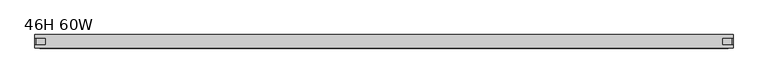
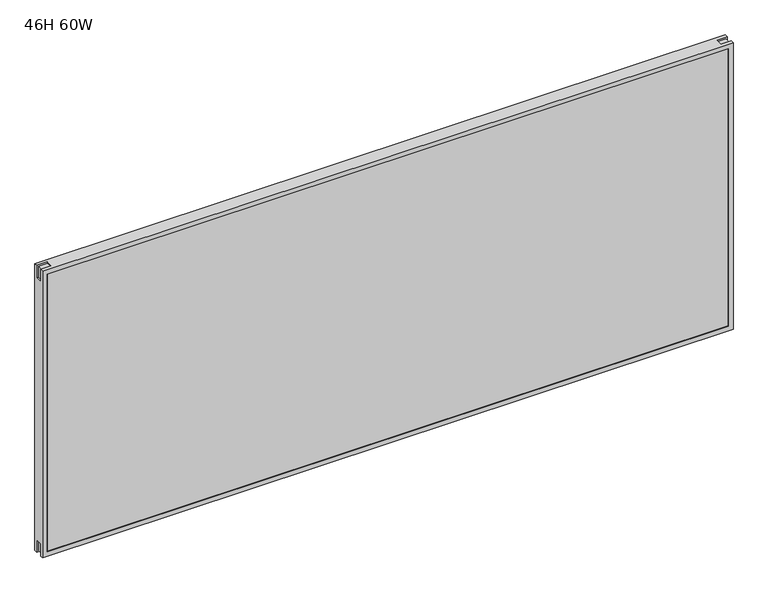
"""IFC4 building model written with IfcOpenShell, lengths in millimetres: furniture geometry, 46H 60W."""

from ifc_helpers import new_model, si_unit, frame, origin, place, context, project, spatial, polyline, outline, extrude, faceted_brep, source, transform, mapped, element, save


def furniture_46h_60w_09fef97b(model_context):
    return source(origin(), model_context, "Body", "SolidModel", [
        faceted_brep([(0.0, -14.75, 1156.589), (0.0, -14.75, 489.0), (1520.952, -14.75, 489.0), (1520.952, -14.75, 1156.589), (1510.452, -14.75, 499.5), (10.5, -14.75, 499.5), (10.5, -14.75, 1146.089), (1510.452, -14.75, 1146.089), (0.0, 14.75, 1156.589), (1520.952, 14.75, 1156.589), (1520.952, 14.75, 489.0), (0.0, 14.75, 489.0), (1510.452, 14.75, 499.5), (1510.452, 14.75, 1146.089), (10.5, 14.75, 1146.089), (10.5, 14.75, 499.5), (0.0, -7.5961537, 1156.589), (0.0, -7.5961537, 1127.939), (0.0, 7.403846, 1127.939), (0.0, 7.403846, 1156.589), (0.0, 7.403846, 489.0), (0.0, 7.403846, 517.65), (0.0, -7.5961537, 517.65), (0.0, -7.5961537, 489.0), (23.49, -7.5961537, 489.0), (23.49, 7.403846, 489.0), (1520.952, 7.403846, 489.0), (1497.4619871, 7.403846, 489.0), (1497.4619871, -7.5961537, 489.0), (1520.952, -7.5961537, 489.0), (40.0, -7.5961537, 489.0), (1480.952, -7.5961537, 489.0), (1480.952, 7.403846, 489.0), (40.0, 7.403846, 489.0), (1520.952, -7.5961537, 517.6500003), (1520.952, 7.403846, 517.6500003), (1520.952, 7.403846, 1156.589), (1520.952, 7.403846, 1127.9389997), (1520.952, -7.5961537, 1127.9389997), (1520.952, -7.5961537, 1156.589), (1497.4619871, -7.5961537, 1156.589), (1497.4619871, 7.403846, 1156.589), (23.49, 7.403846, 1156.589), (23.49, -7.5961537, 1156.589), (1517.602, -7.5961537, 1127.9389997), (1517.602, -7.5961537, 1153.239), (1497.4619871, -7.5961537, 1153.239), (23.49, -7.5961537, 1153.239), (3.35, -7.5961537, 1153.239), (3.35, -7.5961537, 1127.939), (1497.4619871, -7.5961537, 492.35), (1517.602, -7.5961537, 492.35), (1517.602, -7.5961537, 517.6500003), (3.35, -7.5961537, 517.65), (3.35, -7.5961537, 492.35), (23.49, -7.5961537, 492.35), (40.0, -7.5961537, 497.0), (1480.952, -7.5961537, 497.0), (1497.4619871, 7.403846, 1153.239), (1517.602, 7.403846, 1153.239), (1517.602, 7.403846, 1127.9389997), (3.35, 7.403846, 1127.939), (3.35, 7.403846, 1153.239), (23.49, 7.403846, 1153.239), (1517.602, 7.403846, 517.6500003), (1517.602, 7.403846, 492.35), (1497.4619871, 7.403846, 492.35), (23.49, 7.403846, 492.35), (3.35, 7.403846, 492.35), (3.35, 7.403846, 517.65), (1480.952, 7.403846, 497.0), (40.0, 7.403846, 497.0)], [[[0, 1, 2, 3], [4, 5, 6, 7]], [[8, 9, 10, 11], [12, 13, 14, 15]], [[1, 0, 16, 17, 18, 19, 8, 11, 20, 21, 22, 23]], [[2, 1, 23, 24, 25, 20, 11, 10, 26, 27, 28, 29], [30, 31, 32, 33]], [[3, 2, 29, 34, 35, 26, 10, 9, 36, 37, 38, 39]], [[0, 3, 39, 40, 41, 36, 9, 8, 19, 42, 43, 16]], [[5, 4, 12, 15]], [[6, 5, 15, 14]], [[7, 6, 14, 13]], [[4, 7, 13, 12]], [[38, 44, 45, 46, 40, 39]], [[43, 47, 48, 49, 17, 16]], [[28, 50, 51, 52, 34, 29]], [[22, 53, 54, 55, 24, 23]], [[30, 56, 57, 31]], [[41, 58, 59, 60, 37, 36]], [[18, 61, 62, 63, 42, 19]], [[35, 64, 65, 66, 27, 26]], [[25, 67, 68, 69, 21, 20]], [[32, 70, 71, 33]], [[40, 46, 58, 41]], [[46, 45, 59, 58]], [[45, 44, 60, 59]], [[44, 38, 37, 60]], [[17, 49, 61, 18]], [[49, 48, 62, 61]], [[48, 47, 63, 62]], [[47, 43, 42, 63]], [[34, 52, 64, 35]], [[52, 51, 65, 64]], [[51, 50, 66, 65]], [[50, 28, 27, 66]], [[24, 55, 67, 25]], [[55, 54, 68, 67]], [[54, 53, 69, 68]], [[53, 22, 21, 69]], [[31, 57, 70, 32]], [[57, 56, 71, 70]], [[56, 30, 33, 71]]]),
        extrude(outline(polyline([(1510.452, 13.2219268), (1510.452, -13.2456324), (10.5, -13.2456324), (10.5, 13.2219268), (1510.452, 13.2219268)])), frame((0.0, 0.0, 499.3543864), z_axis=(0.0, 0.0, 1.0), x_axis=(1.0, 0.0, 0.0)), (0.0, 0.0, 1.0), 646.8211852),
    ])


if __name__ == "__main__":
    model = new_model("IFC4")
    model_context = context("Model", 3, world=origin())
    ifc_project = project(units=[si_unit("LENGTHUNIT", "METRE", prefix="MILLI")], contexts=[model_context])
    site = spatial("IfcSite", under=ifc_project)
    building = spatial("IfcBuilding", under=site)
    placement = place(None, origin())
    furniture_46h_60w_shape = furniture_46h_60w_09fef97b(model_context)
    element("IfcFurniture", 1, ObjectType="46H 60W", at=placement, inside=building, context=model_context, shape_type="MappedRepresentation", body=[
        mapped(furniture_46h_60w_shape, transform((0.0, 0.0, 0.0), x_axis=(1.0, 0.0, 0.0), y_axis=(0.0, 1.0, 0.0), z_axis=(0.0, 0.0, 1.0))),
    ])
    save(model, "model.ifc")
